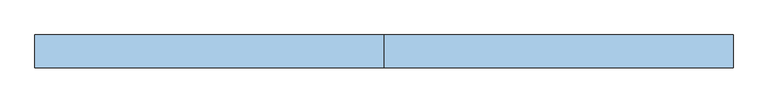
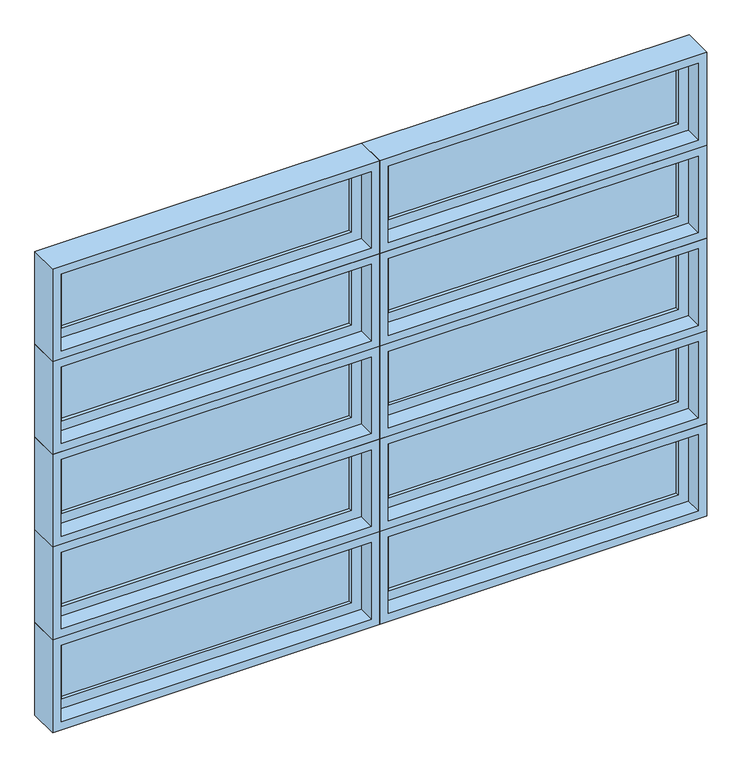
"""IFC4 building model written with IfcOpenShell, lengths in millimetres: window geometry."""

from ifc_helpers import new_model, si_unit, frame, origin, place, context, project, spatial, polyline, outline, extrude, faceted_brep, source, transform, mapped, element, save


def window_4ce22fc3(model_context):
    return source(origin(), model_context, "Body", "SolidModel", [
        faceted_brep([(-571.0781766, 42.8625, 2389.98125), (622.7218234, 42.8625, 2389.98125), (622.7218234, 93.6625, 2389.98125), (-571.0781766, 93.6625, 2389.98125), (-552.0281766, -20.6375, 2409.03125), (603.6718234, -20.6375, 2409.03125), (603.6718234, 42.8625, 2409.03125), (-552.0281766, 42.8625, 2409.03125), (-583.7781766, 93.6625, 2377.28125), (635.4218234, 93.6625, 2377.28125), (635.4218234, -20.6375, 2377.28125), (-583.7781766, -20.6375, 2377.28125), (622.7218234, 42.8625, 2730.3015625), (622.7218234, 93.6625, 2730.3015625), (603.6718234, -20.6375, 2711.2515625), (603.6718234, 42.8625, 2711.2515625), (635.4218234, 93.6625, 2743.0015625), (635.4218234, -20.6375, 2743.0015625), (-571.0781766, 42.8625, 2730.3015625), (-571.0781766, 93.6625, 2730.3015625), (-552.0281766, -20.6375, 2711.2515625), (-552.0281766, 42.8625, 2711.2515625), (-583.7781766, 93.6625, 2743.0015625), (-583.7781766, -20.6375, 2743.0015625)], [[[0, 1, 2, 3]], [[4, 5, 6, 7]], [[8, 9, 10, 11]], [[1, 12, 13, 2]], [[5, 14, 15, 6]], [[9, 16, 17, 10]], [[12, 18, 19, 13]], [[14, 20, 21, 15]], [[16, 22, 23, 17]], [[9, 8, 22, 16], [3, 2, 13, 19]], [[18, 0, 3, 19]], [[1, 0, 18, 12], [7, 6, 15, 21]], [[20, 4, 7, 21]], [[11, 10, 17, 23], [5, 4, 20, 14]], [[22, 8, 11, 23]]]),
        extrude(outline(polyline([(-513.9281766, 74.6125), (565.5718234, 74.6125), (565.5718234, 68.2625), (-513.9281766, 68.2625), (-513.9281766, 74.6125)])), frame((0.0, 0.0, 2447.13125), z_axis=(0.0, 0.0, 1.0), x_axis=(1.0, 0.0, 0.0)), (0.0, 0.0, 1.0), 226.0203125),
        extrude(outline(polyline([(-513.9281766, 61.9125), (565.5718234, 61.9125), (565.5718234, 55.5625), (-513.9281766, 55.5625), (-513.9281766, 61.9125)])), frame((0.0, 0.0, 2447.13125), z_axis=(0.0, 0.0, 1.0), x_axis=(1.0, 0.0, 0.0)), (0.0, 0.0, 1.0), 226.0203125),
        extrude(outline(polyline([(2389.98125, 622.7218234), (2730.3015625, 622.7218234), (2730.3015625, -571.0781766), (2389.98125, -571.0781766), (2389.98125, 622.7218234)]), holes=[polyline([(2673.1515625, 565.5718234), (2447.13125, 565.5718234), (2447.13125, -513.9281766), (2673.1515625, -513.9281766), (2673.1515625, 565.5718234)])]), frame((0.0, 42.8625, 0.0), z_axis=(0.0, 1.0, 0.0), x_axis=(0.0, 0.0, 1.0)), (0.0, 0.0, 1.0), 44.45),
        faceted_brep([(-1790.2781766, 42.8625, 2389.98125), (-596.4781766, 42.8625, 2389.98125), (-596.4781766, 93.6625, 2389.98125), (-1790.2781766, 93.6625, 2389.98125), (-1771.2281766, -20.6375, 2409.03125), (-615.5281766, -20.6375, 2409.03125), (-615.5281766, 42.8625, 2409.03125), (-1771.2281766, 42.8625, 2409.03125), (-1802.9781766, 93.6625, 2377.28125), (-583.7781766, 93.6625, 2377.28125), (-583.7781766, -20.6375, 2377.28125), (-1802.9781766, -20.6375, 2377.28125), (-596.4781766, 42.8625, 2730.3015625), (-596.4781766, 93.6625, 2730.3015625), (-615.5281766, -20.6375, 2711.2515625), (-615.5281766, 42.8625, 2711.2515625), (-583.7781766, 93.6625, 2743.0015625), (-583.7781766, -20.6375, 2743.0015625), (-1790.2781766, 42.8625, 2730.3015625), (-1790.2781766, 93.6625, 2730.3015625), (-1771.2281766, -20.6375, 2711.2515625), (-1771.2281766, 42.8625, 2711.2515625), (-1802.9781766, 93.6625, 2743.0015625), (-1802.9781766, -20.6375, 2743.0015625)], [[[0, 1, 2, 3]], [[4, 5, 6, 7]], [[8, 9, 10, 11]], [[1, 12, 13, 2]], [[5, 14, 15, 6]], [[9, 16, 17, 10]], [[12, 18, 19, 13]], [[14, 20, 21, 15]], [[16, 22, 23, 17]], [[9, 8, 22, 16], [3, 2, 13, 19]], [[18, 0, 3, 19]], [[1, 0, 18, 12], [7, 6, 15, 21]], [[20, 4, 7, 21]], [[11, 10, 17, 23], [5, 4, 20, 14]], [[22, 8, 11, 23]]]),
        extrude(outline(polyline([(-1733.1281766, 74.6125), (-653.6281766, 74.6125), (-653.6281766, 68.2625), (-1733.1281766, 68.2625), (-1733.1281766, 74.6125)])), frame((0.0, 0.0, 2447.13125), z_axis=(0.0, 0.0, 1.0), x_axis=(1.0, 0.0, 0.0)), (0.0, 0.0, 1.0), 226.0203125),
        extrude(outline(polyline([(-1733.1281766, 61.9125), (-653.6281766, 61.9125), (-653.6281766, 55.5625), (-1733.1281766, 55.5625), (-1733.1281766, 61.9125)])), frame((0.0, 0.0, 2447.13125), z_axis=(0.0, 0.0, 1.0), x_axis=(1.0, 0.0, 0.0)), (0.0, 0.0, 1.0), 226.0203125),
        extrude(outline(polyline([(2389.98125, -596.4781766), (2730.3015625, -596.4781766), (2730.3015625, -1790.2781766), (2389.98125, -1790.2781766), (2389.98125, -596.4781766)]), holes=[polyline([(2673.1515625, -653.6281766), (2447.13125, -653.6281766), (2447.13125, -1733.1281766), (2673.1515625, -1733.1281766), (2673.1515625, -653.6281766)])]), frame((0.0, 42.8625, 0.0), z_axis=(0.0, 1.0, 0.0), x_axis=(0.0, 0.0, 1.0)), (0.0, 0.0, 1.0), 44.45),
        faceted_brep([(-571.0781766, 42.8625, 2024.2609375), (622.7218234, 42.8625, 2024.2609375), (622.7218234, 93.6625, 2024.2609375), (-571.0781766, 93.6625, 2024.2609375), (-552.0281766, -20.6375, 2043.3109375), (603.6718234, -20.6375, 2043.3109375), (603.6718234, 42.8625, 2043.3109375), (-552.0281766, 42.8625, 2043.3109375), (-583.7781766, 93.6625, 2011.5609375), (635.4218234, 93.6625, 2011.5609375), (635.4218234, -20.6375, 2011.5609375), (-583.7781766, -20.6375, 2011.5609375), (622.7218234, 42.8625, 2364.58125), (622.7218234, 93.6625, 2364.58125), (603.6718234, -20.6375, 2345.53125), (603.6718234, 42.8625, 2345.53125), (635.4218234, 93.6625, 2377.28125), (635.4218234, -20.6375, 2377.28125), (-571.0781766, 42.8625, 2364.58125), (-571.0781766, 93.6625, 2364.58125), (-552.0281766, -20.6375, 2345.53125), (-552.0281766, 42.8625, 2345.53125), (-583.7781766, 93.6625, 2377.28125), (-583.7781766, -20.6375, 2377.28125)], [[[0, 1, 2, 3]], [[4, 5, 6, 7]], [[8, 9, 10, 11]], [[1, 12, 13, 2]], [[5, 14, 15, 6]], [[9, 16, 17, 10]], [[12, 18, 19, 13]], [[14, 20, 21, 15]], [[16, 22, 23, 17]], [[9, 8, 22, 16], [3, 2, 13, 19]], [[18, 0, 3, 19]], [[1, 0, 18, 12], [7, 6, 15, 21]], [[20, 4, 7, 21]], [[11, 10, 17, 23], [5, 4, 20, 14]], [[22, 8, 11, 23]]]),
        extrude(outline(polyline([(-513.9281766, 74.6125), (565.5718234, 74.6125), (565.5718234, 68.2625), (-513.9281766, 68.2625), (-513.9281766, 74.6125)])), frame((0.0, 0.0, 2081.4109375), z_axis=(0.0, 0.0, 1.0), x_axis=(1.0, 0.0, 0.0)), (0.0, 0.0, 1.0), 226.0203125),
        extrude(outline(polyline([(-513.9281766, 61.9125), (565.5718234, 61.9125), (565.5718234, 55.5625), (-513.9281766, 55.5625), (-513.9281766, 61.9125)])), frame((0.0, 0.0, 2081.4109375), z_axis=(0.0, 0.0, 1.0), x_axis=(1.0, 0.0, 0.0)), (0.0, 0.0, 1.0), 226.0203125),
        extrude(outline(polyline([(2024.2609375, 622.7218234), (2364.58125, 622.7218234), (2364.58125, -571.0781766), (2024.2609375, -571.0781766), (2024.2609375, 622.7218234)]), holes=[polyline([(2307.43125, 565.5718234), (2081.4109375, 565.5718234), (2081.4109375, -513.9281766), (2307.43125, -513.9281766), (2307.43125, 565.5718234)])]), frame((0.0, 42.8625, 0.0), z_axis=(0.0, 1.0, 0.0), x_axis=(0.0, 0.0, 1.0)), (0.0, 0.0, 1.0), 44.45),
        faceted_brep([(-1790.2781766, 42.8625, 2024.2609375), (-596.4781766, 42.8625, 2024.2609375), (-596.4781766, 93.6625, 2024.2609375), (-1790.2781766, 93.6625, 2024.2609375), (-1771.2281766, -20.6375, 2043.3109375), (-615.5281766, -20.6375, 2043.3109375), (-615.5281766, 42.8625, 2043.3109375), (-1771.2281766, 42.8625, 2043.3109375), (-1802.9781766, 93.6625, 2011.5609375), (-583.7781766, 93.6625, 2011.5609375), (-583.7781766, -20.6375, 2011.5609375), (-1802.9781766, -20.6375, 2011.5609375), (-596.4781766, 42.8625, 2364.58125), (-596.4781766, 93.6625, 2364.58125), (-615.5281766, -20.6375, 2345.53125), (-615.5281766, 42.8625, 2345.53125), (-583.7781766, 93.6625, 2377.28125), (-583.7781766, -20.6375, 2377.28125), (-1790.2781766, 42.8625, 2364.58125), (-1790.2781766, 93.6625, 2364.58125), (-1771.2281766, -20.6375, 2345.53125), (-1771.2281766, 42.8625, 2345.53125), (-1802.9781766, 93.6625, 2377.28125), (-1802.9781766, -20.6375, 2377.28125)], [[[0, 1, 2, 3]], [[4, 5, 6, 7]], [[8, 9, 10, 11]], [[1, 12, 13, 2]], [[5, 14, 15, 6]], [[9, 16, 17, 10]], [[12, 18, 19, 13]], [[14, 20, 21, 15]], [[16, 22, 23, 17]], [[9, 8, 22, 16], [3, 2, 13, 19]], [[18, 0, 3, 19]], [[1, 0, 18, 12], [7, 6, 15, 21]], [[20, 4, 7, 21]], [[11, 10, 17, 23], [5, 4, 20, 14]], [[22, 8, 11, 23]]]),
        extrude(outline(polyline([(-1733.1281766, 74.6125), (-653.6281766, 74.6125), (-653.6281766, 68.2625), (-1733.1281766, 68.2625), (-1733.1281766, 74.6125)])), frame((0.0, 0.0, 2081.4109375), z_axis=(0.0, 0.0, 1.0), x_axis=(1.0, 0.0, 0.0)), (0.0, 0.0, 1.0), 226.0203125),
        extrude(outline(polyline([(-1733.1281766, 61.9125), (-653.6281766, 61.9125), (-653.6281766, 55.5625), (-1733.1281766, 55.5625), (-1733.1281766, 61.9125)])), frame((0.0, 0.0, 2081.4109375), z_axis=(0.0, 0.0, 1.0), x_axis=(1.0, 0.0, 0.0)), (0.0, 0.0, 1.0), 226.0203125),
        extrude(outline(polyline([(2024.2609375, -596.4781766), (2364.58125, -596.4781766), (2364.58125, -1790.2781766), (2024.2609375, -1790.2781766), (2024.2609375, -596.4781766)]), holes=[polyline([(2307.43125, -653.6281766), (2081.4109375, -653.6281766), (2081.4109375, -1733.1281766), (2307.43125, -1733.1281766), (2307.43125, -653.6281766)])]), frame((0.0, 42.8625, 0.0), z_axis=(0.0, 1.0, 0.0), x_axis=(0.0, 0.0, 1.0)), (0.0, 0.0, 1.0), 44.45),
        faceted_brep([(-571.0781766, 42.8625, 1658.540625), (622.7218234, 42.8625, 1658.540625), (622.7218234, 93.6625, 1658.540625), (-571.0781766, 93.6625, 1658.540625), (-552.0281766, -20.6375, 1677.590625), (603.6718234, -20.6375, 1677.590625), (603.6718234, 42.8625, 1677.590625), (-552.0281766, 42.8625, 1677.590625), (-583.7781766, 93.6625, 1645.840625), (635.4218234, 93.6625, 1645.840625), (635.4218234, -20.6375, 1645.840625), (-583.7781766, -20.6375, 1645.840625), (622.7218234, 42.8625, 1998.8609375), (622.7218234, 93.6625, 1998.8609375), (603.6718234, -20.6375, 1979.8109375), (603.6718234, 42.8625, 1979.8109375), (635.4218234, 93.6625, 2011.5609375), (635.4218234, -20.6375, 2011.5609375), (-571.0781766, 42.8625, 1998.8609375), (-571.0781766, 93.6625, 1998.8609375), (-552.0281766, -20.6375, 1979.8109375), (-552.0281766, 42.8625, 1979.8109375), (-583.7781766, 93.6625, 2011.5609375), (-583.7781766, -20.6375, 2011.5609375)], [[[0, 1, 2, 3]], [[4, 5, 6, 7]], [[8, 9, 10, 11]], [[1, 12, 13, 2]], [[5, 14, 15, 6]], [[9, 16, 17, 10]], [[12, 18, 19, 13]], [[14, 20, 21, 15]], [[16, 22, 23, 17]], [[9, 8, 22, 16], [3, 2, 13, 19]], [[18, 0, 3, 19]], [[1, 0, 18, 12], [7, 6, 15, 21]], [[20, 4, 7, 21]], [[11, 10, 17, 23], [5, 4, 20, 14]], [[22, 8, 11, 23]]]),
        extrude(outline(polyline([(-513.9281766, 74.6125), (565.5718234, 74.6125), (565.5718234, 68.2625), (-513.9281766, 68.2625), (-513.9281766, 74.6125)])), frame((0.0, 0.0, 1715.690625), z_axis=(0.0, 0.0, 1.0), x_axis=(1.0, 0.0, 0.0)), (0.0, 0.0, 1.0), 226.0203125),
        extrude(outline(polyline([(-513.9281766, 61.9125), (565.5718234, 61.9125), (565.5718234, 55.5625), (-513.9281766, 55.5625), (-513.9281766, 61.9125)])), frame((0.0, 0.0, 1715.690625), z_axis=(0.0, 0.0, 1.0), x_axis=(1.0, 0.0, 0.0)), (0.0, 0.0, 1.0), 226.0203125),
        extrude(outline(polyline([(1658.540625, 622.7218234), (1998.8609375, 622.7218234), (1998.8609375, -571.0781766), (1658.540625, -571.0781766), (1658.540625, 622.7218234)]), holes=[polyline([(1941.7109375, 565.5718234), (1715.690625, 565.5718234), (1715.690625, -513.9281766), (1941.7109375, -513.9281766), (1941.7109375, 565.5718234)])]), frame((0.0, 42.8625, 0.0), z_axis=(0.0, 1.0, 0.0), x_axis=(0.0, 0.0, 1.0)), (0.0, 0.0, 1.0), 44.45),
        faceted_brep([(-1790.2781766, 42.8625, 1658.540625), (-596.4781766, 42.8625, 1658.540625), (-596.4781766, 93.6625, 1658.540625), (-1790.2781766, 93.6625, 1658.540625), (-1771.2281766, -20.6375, 1677.590625), (-615.5281766, -20.6375, 1677.590625), (-615.5281766, 42.8625, 1677.590625), (-1771.2281766, 42.8625, 1677.590625), (-1802.9781766, 93.6625, 1645.840625), (-583.7781766, 93.6625, 1645.840625), (-583.7781766, -20.6375, 1645.840625), (-1802.9781766, -20.6375, 1645.840625), (-596.4781766, 42.8625, 1998.8609375), (-596.4781766, 93.6625, 1998.8609375), (-615.5281766, -20.6375, 1979.8109375), (-615.5281766, 42.8625, 1979.8109375), (-583.7781766, 93.6625, 2011.5609375), (-583.7781766, -20.6375, 2011.5609375), (-1790.2781766, 42.8625, 1998.8609375), (-1790.2781766, 93.6625, 1998.8609375), (-1771.2281766, -20.6375, 1979.8109375), (-1771.2281766, 42.8625, 1979.8109375), (-1802.9781766, 93.6625, 2011.5609375), (-1802.9781766, -20.6375, 2011.5609375)], [[[0, 1, 2, 3]], [[4, 5, 6, 7]], [[8, 9, 10, 11]], [[1, 12, 13, 2]], [[5, 14, 15, 6]], [[9, 16, 17, 10]], [[12, 18, 19, 13]], [[14, 20, 21, 15]], [[16, 22, 23, 17]], [[9, 8, 22, 16], [3, 2, 13, 19]], [[18, 0, 3, 19]], [[1, 0, 18, 12], [7, 6, 15, 21]], [[20, 4, 7, 21]], [[11, 10, 17, 23], [5, 4, 20, 14]], [[22, 8, 11, 23]]]),
        extrude(outline(polyline([(-1733.1281766, 74.6125), (-653.6281766, 74.6125), (-653.6281766, 68.2625), (-1733.1281766, 68.2625), (-1733.1281766, 74.6125)])), frame((0.0, 0.0, 1715.690625), z_axis=(0.0, 0.0, 1.0), x_axis=(1.0, 0.0, 0.0)), (0.0, 0.0, 1.0), 226.0203125),
        extrude(outline(polyline([(-1733.1281766, 61.9125), (-653.6281766, 61.9125), (-653.6281766, 55.5625), (-1733.1281766, 55.5625), (-1733.1281766, 61.9125)])), frame((0.0, 0.0, 1715.690625), z_axis=(0.0, 0.0, 1.0), x_axis=(1.0, 0.0, 0.0)), (0.0, 0.0, 1.0), 226.0203125),
        extrude(outline(polyline([(1658.540625, -596.4781766), (1998.8609375, -596.4781766), (1998.8609375, -1790.2781766), (1658.540625, -1790.2781766), (1658.540625, -596.4781766)]), holes=[polyline([(1941.7109375, -653.6281766), (1715.690625, -653.6281766), (1715.690625, -1733.1281766), (1941.7109375, -1733.1281766), (1941.7109375, -653.6281766)])]), frame((0.0, 42.8625, 0.0), z_axis=(0.0, 1.0, 0.0), x_axis=(0.0, 0.0, 1.0)), (0.0, 0.0, 1.0), 44.45),
        faceted_brep([(-571.0781766, 42.8625, 1292.8203125), (622.7218234, 42.8625, 1292.8203125), (622.7218234, 93.6625, 1292.8203125), (-571.0781766, 93.6625, 1292.8203125), (-552.0281766, -20.6375, 1311.8703125), (603.6718234, -20.6375, 1311.8703125), (603.6718234, 42.8625, 1311.8703125), (-552.0281766, 42.8625, 1311.8703125), (-583.7781766, 93.6625, 1280.1203125), (635.4218234, 93.6625, 1280.1203125), (635.4218234, -20.6375, 1280.1203125), (-583.7781766, -20.6375, 1280.1203125), (622.7218234, 42.8625, 1633.140625), (622.7218234, 93.6625, 1633.140625), (603.6718234, -20.6375, 1614.090625), (603.6718234, 42.8625, 1614.090625), (635.4218234, 93.6625, 1645.840625), (635.4218234, -20.6375, 1645.840625), (-571.0781766, 42.8625, 1633.140625), (-571.0781766, 93.6625, 1633.140625), (-552.0281766, -20.6375, 1614.090625), (-552.0281766, 42.8625, 1614.090625), (-583.7781766, 93.6625, 1645.840625), (-583.7781766, -20.6375, 1645.840625)], [[[0, 1, 2, 3]], [[4, 5, 6, 7]], [[8, 9, 10, 11]], [[1, 12, 13, 2]], [[5, 14, 15, 6]], [[9, 16, 17, 10]], [[12, 18, 19, 13]], [[14, 20, 21, 15]], [[16, 22, 23, 17]], [[9, 8, 22, 16], [3, 2, 13, 19]], [[18, 0, 3, 19]], [[1, 0, 18, 12], [7, 6, 15, 21]], [[20, 4, 7, 21]], [[11, 10, 17, 23], [5, 4, 20, 14]], [[22, 8, 11, 23]]]),
        extrude(outline(polyline([(-513.9281766, 74.6125), (565.5718234, 74.6125), (565.5718234, 68.2625), (-513.9281766, 68.2625), (-513.9281766, 74.6125)])), frame((0.0, 0.0, 1349.9703125), z_axis=(0.0, 0.0, 1.0), x_axis=(1.0, 0.0, 0.0)), (0.0, 0.0, 1.0), 226.0203125),
        extrude(outline(polyline([(-513.9281766, 61.9125), (565.5718234, 61.9125), (565.5718234, 55.5625), (-513.9281766, 55.5625), (-513.9281766, 61.9125)])), frame((0.0, 0.0, 1349.9703125), z_axis=(0.0, 0.0, 1.0), x_axis=(1.0, 0.0, 0.0)), (0.0, 0.0, 1.0), 226.0203125),
        extrude(outline(polyline([(1292.8203125, 622.7218234), (1633.140625, 622.7218234), (1633.140625, -571.0781766), (1292.8203125, -571.0781766), (1292.8203125, 622.7218234)]), holes=[polyline([(1575.990625, 565.5718234), (1349.9703125, 565.5718234), (1349.9703125, -513.9281766), (1575.990625, -513.9281766), (1575.990625, 565.5718234)])]), frame((0.0, 42.8625, 0.0), z_axis=(0.0, 1.0, 0.0), x_axis=(0.0, 0.0, 1.0)), (0.0, 0.0, 1.0), 44.45),
        faceted_brep([(-1790.2781766, 42.8625, 1292.8203125), (-596.4781766, 42.8625, 1292.8203125), (-596.4781766, 93.6625, 1292.8203125), (-1790.2781766, 93.6625, 1292.8203125), (-1771.2281766, -20.6375, 1311.8703125), (-615.5281766, -20.6375, 1311.8703125), (-615.5281766, 42.8625, 1311.8703125), (-1771.2281766, 42.8625, 1311.8703125), (-1802.9781766, 93.6625, 1280.1203125), (-583.7781766, 93.6625, 1280.1203125), (-583.7781766, -20.6375, 1280.1203125), (-1802.9781766, -20.6375, 1280.1203125), (-596.4781766, 42.8625, 1633.140625), (-596.4781766, 93.6625, 1633.140625), (-615.5281766, -20.6375, 1614.090625), (-615.5281766, 42.8625, 1614.090625), (-583.7781766, 93.6625, 1645.840625), (-583.7781766, -20.6375, 1645.840625), (-1790.2781766, 42.8625, 1633.140625), (-1790.2781766, 93.6625, 1633.140625), (-1771.2281766, -20.6375, 1614.090625), (-1771.2281766, 42.8625, 1614.090625), (-1802.9781766, 93.6625, 1645.840625), (-1802.9781766, -20.6375, 1645.840625)], [[[0, 1, 2, 3]], [[4, 5, 6, 7]], [[8, 9, 10, 11]], [[1, 12, 13, 2]], [[5, 14, 15, 6]], [[9, 16, 17, 10]], [[12, 18, 19, 13]], [[14, 20, 21, 15]], [[16, 22, 23, 17]], [[9, 8, 22, 16], [3, 2, 13, 19]], [[18, 0, 3, 19]], [[1, 0, 18, 12], [7, 6, 15, 21]], [[20, 4, 7, 21]], [[11, 10, 17, 23], [5, 4, 20, 14]], [[22, 8, 11, 23]]]),
        extrude(outline(polyline([(-1733.1281766, 74.6125), (-653.6281766, 74.6125), (-653.6281766, 68.2625), (-1733.1281766, 68.2625), (-1733.1281766, 74.6125)])), frame((0.0, 0.0, 1349.9703125), z_axis=(0.0, 0.0, 1.0), x_axis=(1.0, 0.0, 0.0)), (0.0, 0.0, 1.0), 226.0203125),
        extrude(outline(polyline([(-1733.1281766, 61.9125), (-653.6281766, 61.9125), (-653.6281766, 55.5625), (-1733.1281766, 55.5625), (-1733.1281766, 61.9125)])), frame((0.0, 0.0, 1349.9703125), z_axis=(0.0, 0.0, 1.0), x_axis=(1.0, 0.0, 0.0)), (0.0, 0.0, 1.0), 226.0203125),
        extrude(outline(polyline([(1292.8203125, -596.4781766), (1633.140625, -596.4781766), (1633.140625, -1790.2781766), (1292.8203125, -1790.2781766), (1292.8203125, -596.4781766)]), holes=[polyline([(1575.990625, -653.6281766), (1349.9703125, -653.6281766), (1349.9703125, -1733.1281766), (1575.990625, -1733.1281766), (1575.990625, -653.6281766)])]), frame((0.0, 42.8625, 0.0), z_axis=(0.0, 1.0, 0.0), x_axis=(0.0, 0.0, 1.0)), (0.0, 0.0, 1.0), 44.45),
        faceted_brep([(-571.0781766, 42.8625, 927.1), (622.7218234, 42.8625, 927.1), (622.7218234, 93.6625, 927.1), (-571.0781766, 93.6625, 927.1), (-552.0281766, -20.6375, 946.15), (603.6718234, -20.6375, 946.15), (603.6718234, 42.8625, 946.15), (-552.0281766, 42.8625, 946.15), (-583.7781766, 93.6625, 914.4), (635.4218234, 93.6625, 914.4), (635.4218234, -20.6375, 914.4), (-583.7781766, -20.6375, 914.4), (622.7218234, 42.8625, 1267.4203125), (622.7218234, 93.6625, 1267.4203125), (603.6718234, -20.6375, 1248.3703125), (603.6718234, 42.8625, 1248.3703125), (635.4218234, 93.6625, 1280.1203125), (635.4218234, -20.6375, 1280.1203125), (-571.0781766, 42.8625, 1267.4203125), (-571.0781766, 93.6625, 1267.4203125), (-552.0281766, -20.6375, 1248.3703125), (-552.0281766, 42.8625, 1248.3703125), (-583.7781766, 93.6625, 1280.1203125), (-583.7781766, -20.6375, 1280.1203125)], [[[0, 1, 2, 3]], [[4, 5, 6, 7]], [[8, 9, 10, 11]], [[1, 12, 13, 2]], [[5, 14, 15, 6]], [[9, 16, 17, 10]], [[12, 18, 19, 13]], [[14, 20, 21, 15]], [[16, 22, 23, 17]], [[9, 8, 22, 16], [3, 2, 13, 19]], [[18, 0, 3, 19]], [[1, 0, 18, 12], [7, 6, 15, 21]], [[20, 4, 7, 21]], [[11, 10, 17, 23], [5, 4, 20, 14]], [[22, 8, 11, 23]]]),
        extrude(outline(polyline([(-513.9281766, 74.6125), (565.5718234, 74.6125), (565.5718234, 68.2625), (-513.9281766, 68.2625), (-513.9281766, 74.6125)])), frame((0.0, 0.0, 984.25), z_axis=(0.0, 0.0, 1.0), x_axis=(1.0, 0.0, 0.0)), (0.0, 0.0, 1.0), 226.0203125),
        extrude(outline(polyline([(-513.9281766, 61.9125), (565.5718234, 61.9125), (565.5718234, 55.5625), (-513.9281766, 55.5625), (-513.9281766, 61.9125)])), frame((0.0, 0.0, 984.25), z_axis=(0.0, 0.0, 1.0), x_axis=(1.0, 0.0, 0.0)), (0.0, 0.0, 1.0), 226.0203125),
        extrude(outline(polyline([(927.1, 622.7218234), (1267.4203125, 622.7218234), (1267.4203125, -571.0781766), (927.1, -571.0781766), (927.1, 622.7218234)]), holes=[polyline([(1210.2703125, 565.5718234), (984.25, 565.5718234), (984.25, -513.9281766), (1210.2703125, -513.9281766), (1210.2703125, 565.5718234)])]), frame((0.0, 42.8625, 0.0), z_axis=(0.0, 1.0, 0.0), x_axis=(0.0, 0.0, 1.0)), (0.0, 0.0, 1.0), 44.45),
        faceted_brep([(-1790.2781766, 42.8625, 927.1), (-596.4781766, 42.8625, 927.1), (-596.4781766, 93.6625, 927.1), (-1790.2781766, 93.6625, 927.1), (-1771.2281766, -20.6375, 946.15), (-615.5281766, -20.6375, 946.15), (-615.5281766, 42.8625, 946.15), (-1771.2281766, 42.8625, 946.15), (-1802.9781766, 93.6625, 914.4), (-583.7781766, 93.6625, 914.4), (-583.7781766, -20.6375, 914.4), (-1802.9781766, -20.6375, 914.4), (-596.4781766, 42.8625, 1267.4203125), (-596.4781766, 93.6625, 1267.4203125), (-615.5281766, -20.6375, 1248.3703125), (-615.5281766, 42.8625, 1248.3703125), (-583.7781766, 93.6625, 1280.1203125), (-583.7781766, -20.6375, 1280.1203125), (-1790.2781766, 42.8625, 1267.4203125), (-1790.2781766, 93.6625, 1267.4203125), (-1771.2281766, -20.6375, 1248.3703125), (-1771.2281766, 42.8625, 1248.3703125), (-1802.9781766, 93.6625, 1280.1203125), (-1802.9781766, -20.6375, 1280.1203125)], [[[0, 1, 2, 3]], [[4, 5, 6, 7]], [[8, 9, 10, 11]], [[1, 12, 13, 2]], [[5, 14, 15, 6]], [[9, 16, 17, 10]], [[12, 18, 19, 13]], [[14, 20, 21, 15]], [[16, 22, 23, 17]], [[9, 8, 22, 16], [3, 2, 13, 19]], [[18, 0, 3, 19]], [[1, 0, 18, 12], [7, 6, 15, 21]], [[20, 4, 7, 21]], [[11, 10, 17, 23], [5, 4, 20, 14]], [[22, 8, 11, 23]]]),
        extrude(outline(polyline([(-1733.1281766, 74.6125), (-653.6281766, 74.6125), (-653.6281766, 68.2625), (-1733.1281766, 68.2625), (-1733.1281766, 74.6125)])), frame((0.0, 0.0, 984.25), z_axis=(0.0, 0.0, 1.0), x_axis=(1.0, 0.0, 0.0)), (0.0, 0.0, 1.0), 226.0203125),
        extrude(outline(polyline([(-1733.1281766, 61.9125), (-653.6281766, 61.9125), (-653.6281766, 55.5625), (-1733.1281766, 55.5625), (-1733.1281766, 61.9125)])), frame((0.0, 0.0, 984.25), z_axis=(0.0, 0.0, 1.0), x_axis=(1.0, 0.0, 0.0)), (0.0, 0.0, 1.0), 226.0203125),
        extrude(outline(polyline([(927.1, -596.4781766), (1267.4203125, -596.4781766), (1267.4203125, -1790.2781766), (927.1, -1790.2781766), (927.1, -596.4781766)]), holes=[polyline([(1210.2703125, -653.6281766), (984.25, -653.6281766), (984.25, -1733.1281766), (1210.2703125, -1733.1281766), (1210.2703125, -653.6281766)])]), frame((0.0, 42.8625, 0.0), z_axis=(0.0, 1.0, 0.0), x_axis=(0.0, 0.0, 1.0)), (0.0, 0.0, 1.0), 44.45),
    ])


if __name__ == "__main__":
    model = new_model("IFC4")
    model_context = context("Model", 3, world=origin())
    ifc_project = project(units=[si_unit("LENGTHUNIT", "METRE", prefix="MILLI")], contexts=[model_context])
    site = spatial("IfcSite", under=ifc_project)
    building = spatial("IfcBuilding", under=site)
    placement = place(None, origin())
    window_shape = window_4ce22fc3(model_context)
    element("IfcWindow", 1, at=placement, inside=building, context=model_context, shape_type="MappedRepresentation", body=[
        mapped(window_shape, transform((0.0, 0.0, 0.0), x_axis=(1.0, 0.0, 0.0), y_axis=(0.0, 1.0, 0.0), z_axis=(0.0, 0.0, 1.0))),
    ])
    save(model, "model.ifc")
